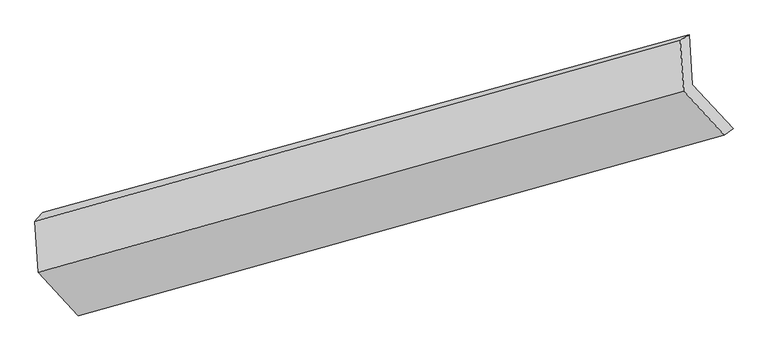
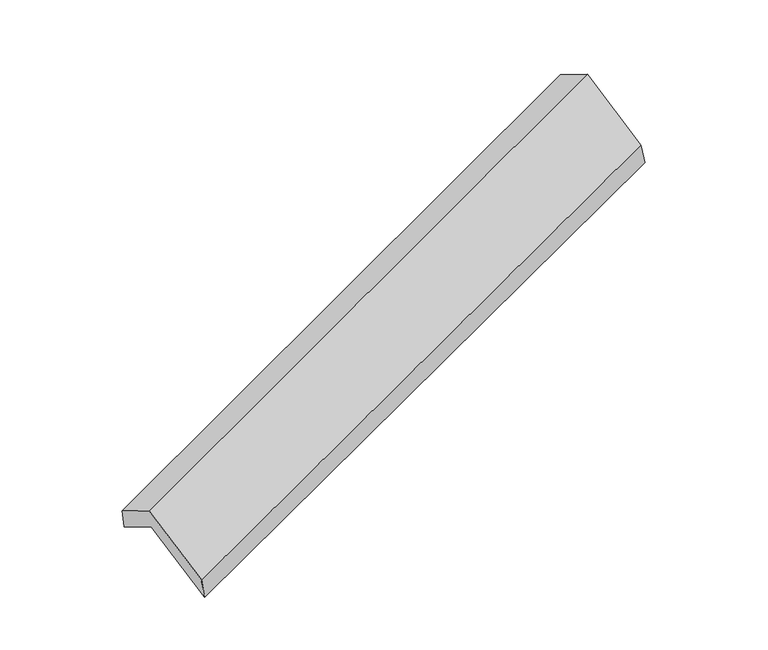
"""IFC4 building model written with IfcOpenShell, lengths in millimetres: proxy geometry."""

from ifc_helpers import new_model, si_unit, frame, origin, place, context, project, spatial, source, transform, mapped, element, save
from ifc_brep_helpers import plane_surface, spline_surface, advanced_brep


def generic_models_6e1cf18f(model_context):
    return source(origin(), model_context, "Body", "AdvancedBrep", [
        advanced_brep(
        [(-5094.1001213, -2096.7694061, 1290.0944604), (-5117.0676712, -1753.6351082, 1087.236129), (-760.9454918, -556.4323407, 2658.4674702), (-738.5531739, -890.9726948, 2856.2451287), (-5169.5198343, -1815.1352057, 1282.3651182), (-820.6211236, -591.7356801, 2853.4617287), (-5146.4806865, -2159.3391726, 1485.8558296), (-797.6535736, -934.8699781, 3056.3200601), (-4878.94879, -2451.0102001, 962.2052368), (-523.6648494, -1233.5804264, 2520.031267), (-4820.111397, -2395.4798544, 753.8056673), (-464.5644496, -1189.6831431, 2319.9563356)],
        [
            (0, 1),
            (1, 2),
            (2, 3),
            (3, 0),
            (1, 4),
            (4, 5),
            (5, 2),
            (4, 6),
            (6, 7),
            (7, 5),
            (6, 8),
            (8, 9),
            (9, 7),
            (8, 10),
            (10, 11),
            (11, 9),
            (10, 0),
            (3, 11),
        ],
        [
            plane_surface(frame((-5105.5838962, -1925.2022571, 1188.6652947), z_axis=(0.4094816967159971, -0.44382261576339993, -0.797086084304275), x_axis=(-0.05752320205982843, 0.8593943879568972, -0.508067286068464))),
            spline_surface(1, 1, [[(-5117.0676712, -1753.6351082, 1087.236129), (-760.9454918, -556.4323407, 2658.4674702)], [(-5169.5198343, -1815.1352057, 1282.3651182), (-820.6211236, -591.7356801, 2853.4617287)]], [2, 2], [2, 2], [0.0, 1.0], [0.0, 1.0]),
            plane_surface(frame((-5158.0002604, -1987.2371892, 1384.1104739), z_axis=(-0.4122356820886047, 0.4430521066363761, 0.796094575548667), x_axis=(0.05752320205982844, -0.8593943879568975, 0.5080672860684634))),
            plane_surface(frame((-5012.7147382, -2305.1746864, 1224.0305332), z_axis=(0.058331447655003255, -0.8591696977916713, 0.5083550654916698), x_axis=(0.4075771939495127, -0.4443524697723139, -0.7977667037295341))),
            spline_surface(1, 1, [[(-4878.94879, -2451.0102001, 962.2052368), (-523.6648494, -1233.5804264, 2520.031267)], [(-4820.111397, -2395.4798544, 753.8056673), (-464.5644496, -1189.6831431, 2319.9563356)]], [2, 2], [2, 2], [0.0, 1.0], [0.0, 1.0]),
            plane_surface(frame((-4957.1057591, -2246.1246303, 1021.9500639), z_axis=(-0.05561768278878848, 0.859921392549571, -0.5073872997984995), x_axis=(-0.4075771939495127, 0.4443524697723139, 0.7977667037295341))),
            plane_surface(frame((-684.333777, -899.5457105, 2710.7469984), z_axis=(0.9113571814590775, 0.25296673408849807, 0.32470897623497463), x_axis=(0.27721989665432367, 0.2059072424154204, -0.9384835301803881))),
            plane_surface(frame((-5037.70475, -2111.8948245, 1143.5937402), z_axis=(-0.9113571814590711, -0.25296673408853354, -0.3247089762349655), x_axis=(0.40757719394952285, -0.44435246977231174, -0.7977667037295302))),
        ],
        [
            (0, [[1, 2, 3, 4]]),
            (1, [[5, 6, 7, -2]]),
            (2, [[8, 9, 10, -6]]),
            (3, [[11, 12, 13, -9]]),
            (4, [[14, 15, 16, -12]]),
            (5, [[17, -4, 18, -15]]),
            (6, [[-16, -18, -3, -7, -10, -13]]),
            (7, [[-17, -14, -11, -8, -5, -1]]),
        ],
    ),
    ])


if __name__ == "__main__":
    model = new_model("IFC4")
    model_context = context("Model", 3, world=origin())
    ifc_project = project(units=[si_unit("LENGTHUNIT", "METRE", prefix="MILLI")], contexts=[model_context])
    site = spatial("IfcSite", under=ifc_project)
    building = spatial("IfcBuilding", under=site)
    placement = place(None, origin())
    generic_models_shape = generic_models_6e1cf18f(model_context)
    element("IfcBuildingElementProxy", 1, Name="Generic Models", at=placement, inside=building, context=model_context, shape_type="MappedRepresentation", body=[
        mapped(generic_models_shape, transform((0.0, 0.0, 0.0), x_axis=(1.0, 0.0, 0.0), y_axis=(0.0, 1.0, 0.0), z_axis=(0.0, 0.0, 1.0))),
    ])
    save(model, "model.ifc")
